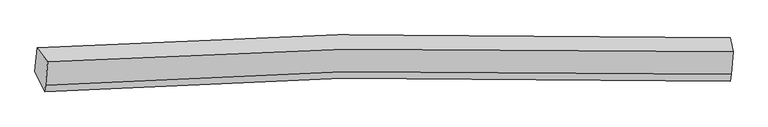
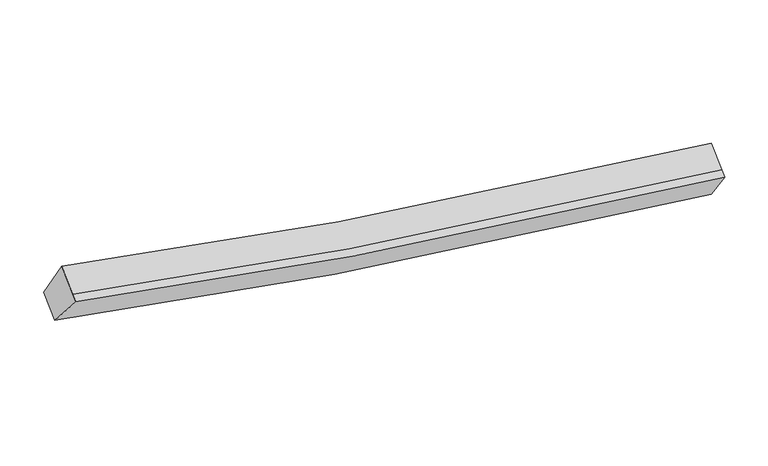
"""IFC4 building model written with IfcOpenShell, lengths in millimetres: proxy geometry."""

from ifc_helpers import new_model, si_unit, frame, origin, place, context, project, spatial, source, transform, mapped, element, save
from ifc_brep_helpers import plane_surface, spline_curve, spline_surface, advanced_brep


def generic_models_ee4f52b7(model_context):
    return source(origin(), model_context, "Body", "AdvancedBrep", [
        advanced_brep(
        [(-5442.9066939, -1830.0236806, 3985.4526293), (-5256.2816331, -2076.3072836, 4573.4293537), (6813.1959365, -1903.7723483, 2646.4128082), (6764.9399313, -1652.9381726, 2033.2613349), (-5293.1384473, -2489.1543452, 4296.2256681), (6777.8174123, -2300.0605256, 2380.3274863), (-5303.486478, -2605.0665352, 4218.3971228), (6767.4693816, -2415.9727156, 2302.4989409), (-5480.0035703, -2245.5597675, 3706.4434138), (6729.321345, -2051.9153753, 1765.370483)],
        [
            (0, 1),
            (1, 2, spline_curve(3, [(-5256.2816331, -2076.3072836, 4573.4293537), (-3522.284357163, -1964.782816267, 4139.622193312), (-1776.613095358, -1891.05043376, 3772.640760417), (2238.943318129, -1808.926393896, 3086.78112617), (4516.431246367, -1825.1471312, 2811.423710609), (6813.1959365, -1903.7723483, 2646.4128082)], [4, 2, 4], [0.0, 17.67754895586552, 40.393425926467856])),
            (2, 3),
            (3, 0, spline_curve(3, [(6764.9399313, -1652.9381726, 2033.2613349), (4441.656000241, -1573.566963829, 2200.687192477), (2137.975699275, -1557.499469841, 2479.755356989), (-1923.574816555, -1641.495025994, 3174.517636334), (-3689.176723716, -1716.591023209, 3546.179903702), (-5442.9066939, -1830.0236806, 3985.4526293)], [4, 2, 4], [0.0, 22.715876970602334, 40.393425926467856])),
            (1, 4),
            (4, 5, spline_curve(3, [(-5293.1384473, -2489.1543452, 4296.2256681), (-3558.432758114, -2369.694671124, 3867.746554603), (-1812.268732913, -2290.442660644, 3504.471242608), (2203.920888142, -2201.225827927, 2823.374022497), (4481.408816066, -2217.446564636, 2548.016607003), (6777.8174123, -2300.0605256, 2380.3274863)], [4, 2, 4], [0.0, 17.576285518663063, 40.162037674628806])),
            (5, 2),
            (4, 6),
            (6, 7, spline_curve(3, [(-5303.486478, -2605.0665352, 4218.3971228), (-3568.780788653, -2485.606861029, 3789.918009519), (-1822.616763738, -2406.354850845, 3426.642697875), (2193.572857602, -2317.138017439, 2745.545476468), (4471.060785707, -2333.358754599, 2470.188061576), (6767.4693816, -2415.9727156, 2302.4989409)], [4, 2, 4], [0.0, 17.57620415937711, 40.16185176761767])),
            (7, 5),
            (6, 8),
            (8, 9, spline_curve(3, [(-5480.0035703, -2245.5597675, 3706.4434138), (-3725.565186739, -2124.191903557, 3272.498735106), (-1959.470515433, -2043.576278541, 2904.542589137), (2102.713206418, -1952.487928705, 2214.542722985), (4406.393507782, -1968.555423228, 1935.474558808), (6729.321345, -2051.9153753, 1765.370483)], [4, 2, 4], [0.0, 17.677357473386447, 40.392988386549064])),
            (9, 7),
            (8, 0),
            (3, 9),
        ],
        [
            spline_surface(3, 3, [[(-5442.9066939, -1830.0236806, 3985.4526293), (-3689.176723573, -1716.591023475, 3546.17990354), (-1923.574816268, -1641.495026264, 3174.517636328), (2137.975698907, -1557.499469494, 2479.755356995), (4441.655999997, -1573.566964032, 2200.687192704), (6764.9399313, -1652.9381726, 2033.2613349)], [(-5380.698340277, -1912.118214938, 4181.444870773), (-3633.545934798, -1799.321621111, 3743.994000117), (-1874.587576027, -1724.680162179, 3373.892010962), (2171.631572032, -1641.308444209, 2682.097280074), (4466.58108214, -1657.427019659, 2404.266032042), (6781.025266375, -1736.549564511, 2237.64515932)], [(-5318.489986723, -1994.212749262, 4377.437112227), (-3577.915146091, -1882.052218733, 3941.808096676), (-1825.600335748, -1807.865298066, 3573.266385675), (2205.287445195, -1725.117418896, 2884.439203232), (4491.506164257, -1741.287075254, 2607.844871421), (6797.110601425, -1820.160956389, 2442.02898378)], [(-5256.2816331, -2076.3072836, 4573.4293537), (-3522.284357316, -1964.782816369, 4139.622193253), (-1776.613095506, -1891.050433981, 3772.640760308), (2238.94331832, -1808.926393612, 3086.781126311), (4516.4312464, -1825.147130881, 2811.423710759), (6813.1959365, -1903.7723483, 2646.4128082)]], [4, 4], [4, 2, 4], [0.0, 2.179225788868529], [0.0, 17.67754895586552, 40.393425926467856]),
            spline_surface(3, 3, [[(-5256.2816331, -2076.3072836, 4573.4293537), (-3522.284357316, -1964.782816369, 4139.622193253), (-1776.613095506, -1891.050433981, 3772.640760308), (2238.94331832, -1808.926393612, 3086.781126311), (4516.4312464, -1825.147130881, 2811.423710759), (6813.1959365, -1903.7723483, 2646.4128082)], [(-5268.567237862, -2213.922970802, 4481.02812518), (-3534.333824238, -2099.753434667, 4048.996980398), (-1788.498307973, -2024.181176249, 3683.250921189), (2227.269174934, -1939.692871598, 2998.978758275), (4504.757103014, -1955.913608867, 2723.621342724), (6801.403095104, -2035.868407407, 2557.717700888)], [(-5280.852842538, -2351.538657998, 4388.62689662), (-3546.383291075, -2234.724052961, 3958.371767503), (-1800.383520452, -2157.311918594, 3593.861082005), (2215.595031535, -2070.459349662, 2911.176390175), (4493.082959615, -2086.680086831, 2635.818974724), (6789.610253696, -2167.964466493, 2469.022593612)], [(-5293.1384473, -2489.1543452, 4296.2256681), (-3558.432757996, -2369.694671259, 3867.746554647), (-1812.268732918, -2290.442660861, 3504.471242886), (2203.920888149, -2201.225827648, 2823.37402214), (4481.408816229, -2217.446564817, 2548.016606689), (6777.8174123, -2300.0605256, 2380.3274863)]], [4, 4], [4, 2, 4], [0.0, 1.5656695990465521], [0.0, 17.576285518663063, 40.162037674628806]),
            spline_surface(3, 3, [[(-5293.1384473, -2489.1543452, 4296.2256681), (-3558.432757996, -2369.694671259, 3867.746554647), (-1812.268732918, -2290.442660861, 3504.471242886), (2203.920888149, -2201.225827648, 2823.37402214), (4481.408816229, -2217.446564817, 2548.016606689), (6777.8174123, -2300.0605256, 2380.3274863)], [(-5296.58779086, -2527.791741861, 4270.282819644), (-3561.882101556, -2408.33206792, 3841.803706191), (-1815.718076478, -2329.080057522, 3478.528394429), (2200.471544589, -2239.863224309, 2797.431173684), (4477.959472669, -2256.083961478, 2522.073758232), (6774.36806874, -2338.697922261, 2354.384637844)], [(-5300.03713444, -2566.429138539, 4244.339971256), (-3565.331445136, -2446.969464598, 3815.860857804), (-1819.167420058, -2367.7174541, 3452.585546042), (2197.022201009, -2278.500620887, 2771.488325296), (4474.510129089, -2294.721358156, 2496.130909745), (6770.91872516, -2377.335318939, 2328.441789356)], [(-5303.486478, -2605.0665352, 4218.3971228), (-3568.780788696, -2485.606861259, 3789.918009347), (-1822.616763618, -2406.354850761, 3426.642697586), (2193.572857449, -2317.138017548, 2745.54547684), (4471.060785529, -2333.358754817, 2470.188061289), (6767.4693816, -2415.9727156, 2302.4989409)]], [4, 4], [4, 2, 4], [0.0, 0.459317585301841], [0.0, 17.57620415937711, 40.16185176761767]),
            spline_surface(3, 3, [[(-5303.486478, -2605.0665352, 4218.3971228), (-3568.780788696, -2485.606861259, 3789.918009347), (-1822.616763618, -2406.354850761, 3426.642697586), (2193.572857449, -2317.138017548, 2745.54547684), (4471.060785529, -2333.358754817, 2470.188061289), (6767.4693816, -2415.9727156, 2302.4989409)], [(-5362.325508743, -2485.230945979, 4047.745886467), (-3621.042254592, -2365.135208741, 3617.44491791), (-1868.234680979, -2285.428659963, 3252.609328093), (2163.286307204, -2195.58798795, 2568.544558902), (4449.505026266, -2211.757644308, 2291.95022709), (6754.753369405, -2294.620268807, 2123.45612162)], [(-5421.164539557, -2365.395356721, 3877.094650133), (-3673.303720558, -2244.663556184, 3444.971826471), (-1913.852598319, -2164.502469241, 3078.575958599), (2132.99975698, -2074.037958428, 2391.543640963), (4427.949266988, -2090.156533878, 2113.712392831), (6742.037357195, -2173.267822093, 1944.41330228)], [(-5480.0035703, -2245.5597675, 3706.4434138), (-3725.565186453, -2124.191903666, 3272.498735034), (-1959.47051568, -2043.576278443, 2904.542589106), (2102.713206735, -1952.48792883, 2214.542723025), (4406.393507725, -1968.555423368, 1935.474558633), (6729.321345, -2051.9153753, 1765.370483)]], [4, 4], [4, 2, 4], [0.0, 2.132540147959467], [0.0, 17.677357473386447, 40.392988386549064]),
            spline_surface(3, 3, [[(-5480.0035703, -2245.5597675, 3706.4434138), (-3725.565186453, -2124.191903666, 3272.498735034), (-1959.47051568, -2043.576278443, 2904.542589106), (2102.713206735, -1952.48792883, 2214.542723025), (4406.393507725, -1968.555423368, 1935.474558633), (6729.321345, -2051.9153753, 1765.370483)], [(-5467.637944859, -2107.04773852, 3799.446485636), (-3713.435698852, -1988.324943588, 3363.725791205), (-1947.505282534, -1909.549194398, 2994.534271541), (2114.467370801, -1820.825109065, 2302.946934376), (4418.147671791, -1836.892603604, 2023.878769984), (6741.194207076, -1918.922974414, 1854.667433628)], [(-5455.272319341, -1968.53570958, 3892.449557464), (-3701.306211175, -1852.457983553, 3454.952847368), (-1935.540049415, -1775.52211031, 3084.525953893), (2126.221534841, -1689.162289259, 2391.351145644), (4429.90183593, -1705.229783797, 2112.282981352), (6753.067069224, -1785.930573486, 1943.964384272)], [(-5442.9066939, -1830.0236806, 3985.4526293), (-3689.176723573, -1716.591023475, 3546.17990354), (-1923.574816268, -1641.495026264, 3174.517636328), (2137.975698907, -1557.499469494, 2479.755356995), (4441.655999997, -1573.566964032, 2200.687192704), (6764.9399313, -1652.9381726, 2033.2613349)]], [4, 4], [4, 2, 4], [0.0, 1.5763252222759372], [0.0, 17.778591698604963, 40.624309888630414]),
            plane_surface(frame((6768.7316486, -2006.1496529, 2186.8858918), z_axis=(0.9955361437722572, -0.02845291829248927, -0.08999009880928349), x_axis=(-0.058689287054290724, 0.5600882159686058, -0.8263514735983494))),
            plane_surface(frame((-5370.6695938, -2189.2393167, 4120.9306299), z_axis=(-0.9595776303032635, -0.09275116300605593, 0.26572164605578846), x_axis=(-0.0739145048561172, -0.8279442141676728, -0.5559181812084849))),
        ],
        [
            (0, [[1, 2, 3, 4]]),
            (1, [[5, 6, 7, -2]]),
            (2, [[8, 9, 10, -6]]),
            (3, [[11, 12, 13, -9]]),
            (4, [[14, -4, 15, -12]]),
            (5, [[-13, -15, -3, -7, -10]]),
            (6, [[-14, -11, -8, -5, -1]]),
        ],
    ),
    ])


if __name__ == "__main__":
    model = new_model("IFC4")
    model_context = context("Model", 3, world=origin())
    ifc_project = project(units=[si_unit("LENGTHUNIT", "METRE", prefix="MILLI")], contexts=[model_context])
    site = spatial("IfcSite", under=ifc_project)
    building = spatial("IfcBuilding", under=site)
    placement = place(None, origin())
    generic_models_shape = generic_models_ee4f52b7(model_context)
    element("IfcBuildingElementProxy", 1, Name="Generic Models", at=placement, inside=building, context=model_context, shape_type="MappedRepresentation", body=[
        mapped(generic_models_shape, transform((0.0, 0.0, 0.0), x_axis=(1.0, 0.0, 0.0), y_axis=(0.0, 1.0, 0.0), z_axis=(0.0, 0.0, 1.0))),
    ])
    save(model, "model.ifc")
